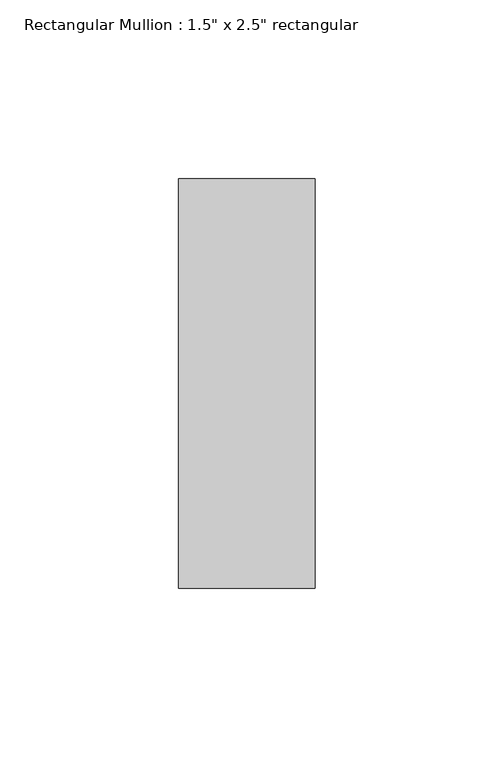
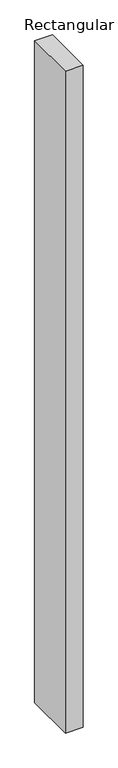
"""IFC4 building model written with IfcOpenShell, lengths in millimetres: member geometry."""

from ifc_helpers import new_model, si_unit, frame, origin, place, context, project, spatial, polyline, outline, extrude, source, transform, mapped, element, save


def member_149e9463(model_context):
    return source(origin(), model_context, "Body", "SweptSolid", [
        extrude(outline(polyline([(19.05, 57.15), (19.05, -57.15), (-19.05, -57.15), (-19.05, 57.15), (19.05, 57.15)])), frame((0.0, 0.0, -1504.95), z_axis=(0.0, 0.0, 1.0), x_axis=(1.0, 0.0, 0.0)), (0.0, 0.0, 1.0), 1504.95),
    ])


if __name__ == "__main__":
    model = new_model("IFC4")
    model_context = context("Model", 3, world=origin())
    ifc_project = project(units=[si_unit("LENGTHUNIT", "METRE", prefix="MILLI")], contexts=[model_context])
    site = spatial("IfcSite", under=ifc_project)
    building = spatial("IfcBuilding", under=site)
    placement = place(None, origin())
    member_shape = member_149e9463(model_context)
    element("IfcMember", 1, ObjectType="Rectangular Mullion : 1.5\" x 2.5\" rectangular", at=placement, inside=building, context=model_context, shape_type="MappedRepresentation", body=[
        mapped(member_shape, transform((0.0, 0.0, 0.0), x_axis=(1.0, 0.0, 0.0), y_axis=(0.0, 1.0, 0.0), z_axis=(0.0, 0.0, 1.0))),
    ])
    save(model, "model.ifc")
